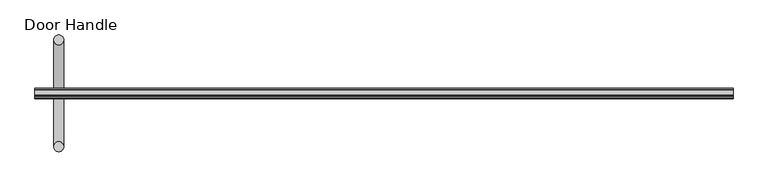
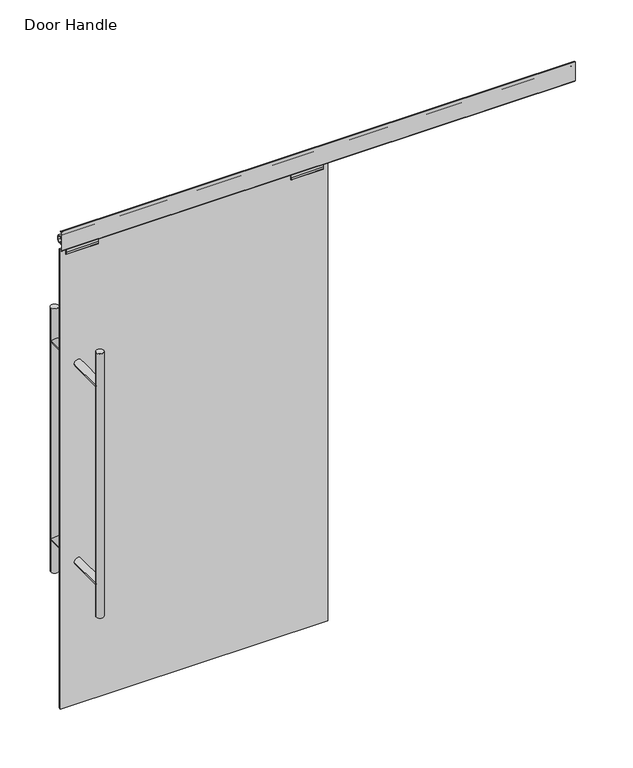
"""IFC4 building model written with IfcOpenShell, lengths in millimetres: furniture geometry, Door Handle."""

from ifc_helpers import new_model, si_unit, point, frame, frame_2d, origin, place, context, project, spatial, polyline, circle_curve, trimmed, segment, composite_curve, outline, extrude, source, transform, mapped, element, save


def door_handle_50dfe338(model_context):
    return source(origin(), model_context, "Body", "SweptSolid", [
        extrude(outline(polyline([(-16.5141672, 2212.851175), (-16.5141672, 2205.3189439), (-10.1641672, 2205.3189439), (-6.1763672, 2209.3067439), (-5.6195913, 2208.749968), (-9.8380154, 2204.5315439), (-16.5141672, 2204.5315439), (-16.5141672, 2125.6729446), (-13.0142711, 2120.674575), (-11.1901919, 2120.674575), (-11.1901919, 2119.887175), (-13.3931579, 2119.887175), (-17.3015672, 2125.4689619), (-17.3015672, 2212.851175), (-16.5141672, 2212.851175)])), frame((0.0, 0.0, 0.0), z_axis=(1.0, 0.0, 0.0), x_axis=(0.0, 1.0, 0.0)), (0.0, 0.0, 1.0), 2241.3722),
        extrude(outline(composite_curve([segment(polyline([(10.16, 2182.879175), (10.16, 2177.9076009)]), True, "CONTINUOUS"), segment(trimmed(circle_curve(frame_2d((12.8870929, 2177.9076009)), 2.7270929), [point((10.16, 2177.9076009))], [point((12.8870929, 2175.180508))], True, "CARTESIAN"), True, "CONTINUOUS"), segment(polyline([(12.8870929, 2175.180508), (16.51, 2175.180508), (16.51, 2158.0447505), (8.3244245, 2149.859175), (4.7752, 2149.859175), (4.7752, 2150.646575), (7.9982727, 2150.646575), (15.7226, 2158.3709023), (15.7226, 2174.393108), (12.8870929, 2174.393108)]), True, "CONTINUOUS"), segment(trimmed(circle_curve(frame_2d((12.8870929, 2177.9076009)), 3.5144929), [point((12.8870929, 2174.393108))], [point((9.3726, 2177.9076009))], False, "CARTESIAN"), True, "CONTINUOUS"), segment(polyline([(9.3726, 2177.9076009), (9.3726, 2182.091775), (-9.3726, 2182.091775), (-9.3726, 2177.9076009)]), True, "CONTINUOUS"), segment(trimmed(circle_curve(frame_2d((-12.8870929, 2177.9076009)), 3.5144929), [point((-9.3726, 2177.9076009))], [point((-12.8870929, 2174.393108))], False, "CARTESIAN"), True, "CONTINUOUS"), segment(polyline([(-12.8870929, 2174.393108), (-15.7226, 2174.393108), (-15.7226, 2158.3709023), (-7.9982728, 2150.646575), (-4.7752, 2150.646575), (-4.7752, 2149.859175), (-8.3244245, 2149.859175), (-16.51, 2158.0447505), (-16.51, 2175.180508), (-12.8870929, 2175.180508)]), True, "CONTINUOUS"), segment(trimmed(circle_curve(frame_2d((-12.8870929, 2177.9076009)), 2.7270929), [point((-12.8870929, 2175.180508))], [point((-10.16, 2177.9076009))], True, "CARTESIAN"), True, "CONTINUOUS"), segment(polyline([(-10.16, 2177.9076009), (-10.16, 2182.879175), (10.16, 2182.879175)]), True, "CONTINUOUS")], self_intersect=False)), frame((0.0, 0.0, 0.0), z_axis=(1.0, 0.0, 0.0), x_axis=(0.0, 1.0, 0.0)), (0.0, 0.0, 1.0), 2241.3722),
        extrude(outline(composite_curve([segment(trimmed(circle_curve(frame_2d((76.2, 171.45)), 16.002), [point((60.198, 171.45))], [point((92.202, 171.45))], False, "CARTESIAN"), True, "CONTINUOUS"), segment(trimmed(circle_curve(frame_2d((76.2, 171.45)), 16.002), [point((92.202, 171.45))], [point((60.198, 171.45))], False, "CARTESIAN"), True, "CONTINUOUS")], self_intersect=False)), frame((0.0, 0.0, 508.0), z_axis=(0.0, 0.0, 1.0), x_axis=(1.0, 0.0, 0.0)), (0.0, 0.0, 1.0), 1219.2),
        extrude(outline(composite_curve([segment(trimmed(circle_curve(frame_2d((660.4, 76.2)), 16.002), [point((660.4, 60.198))], [point((660.4, 92.202))], False, "CARTESIAN"), True, "CONTINUOUS"), segment(trimmed(circle_curve(frame_2d((660.4, 76.2)), 16.002), [point((660.4, 92.202))], [point((660.4, 60.198))], False, "CARTESIAN"), True, "CONTINUOUS")], self_intersect=False)), frame((0.0, 6.35, 0.0), z_axis=(0.0, 1.0, 0.0), x_axis=(0.0, 0.0, 1.0)), (0.0, 0.0, 1.0), 165.1),
        extrude(outline(composite_curve([segment(trimmed(circle_curve(frame_2d((1574.8, 76.2)), 16.002), [point((1574.8, 60.198))], [point((1574.8, 92.202))], False, "CARTESIAN"), True, "CONTINUOUS"), segment(trimmed(circle_curve(frame_2d((1574.8, 76.2)), 16.002), [point((1574.8, 92.202))], [point((1574.8, 60.198))], False, "CARTESIAN"), True, "CONTINUOUS")], self_intersect=False)), frame((0.0, 6.35, 0.0), z_axis=(0.0, 1.0, 0.0), x_axis=(0.0, 0.0, 1.0)), (0.0, 0.0, 1.0), 165.1),
        extrude(outline(composite_curve([segment(trimmed(circle_curve(frame_2d((660.4, 76.2)), 16.002), [point((660.4, 60.198))], [point((660.4, 92.202))], False, "CARTESIAN"), True, "CONTINUOUS"), segment(trimmed(circle_curve(frame_2d((660.4, 76.2)), 16.002), [point((660.4, 92.202))], [point((660.4, 60.198))], False, "CARTESIAN"), True, "CONTINUOUS")], self_intersect=False)), frame((0.0, -171.45, 0.0), z_axis=(0.0, 1.0, 0.0), x_axis=(0.0, 0.0, 1.0)), (0.0, 0.0, 1.0), 165.1),
        extrude(outline(composite_curve([segment(trimmed(circle_curve(frame_2d((1574.8, 76.2)), 16.002), [point((1574.8, 60.198))], [point((1574.8, 92.202))], False, "CARTESIAN"), True, "CONTINUOUS"), segment(trimmed(circle_curve(frame_2d((1574.8, 76.2)), 16.002), [point((1574.8, 92.202))], [point((1574.8, 60.198))], False, "CARTESIAN"), True, "CONTINUOUS")], self_intersect=False)), frame((0.0, -171.45, 0.0), z_axis=(0.0, 1.0, 0.0), x_axis=(0.0, 0.0, 1.0)), (0.0, 0.0, 1.0), 165.1),
        extrude(outline(composite_curve([segment(trimmed(circle_curve(frame_2d((76.2, -171.45)), 16.002), [point((60.198, -171.45))], [point((92.202, -171.45))], False, "CARTESIAN"), True, "CONTINUOUS"), segment(trimmed(circle_curve(frame_2d((76.2, -171.45)), 16.002), [point((92.202, -171.45))], [point((60.198, -171.45))], False, "CARTESIAN"), True, "CONTINUOUS")], self_intersect=False)), frame((0.0, 0.0, 508.0), z_axis=(0.0, 0.0, 1.0), x_axis=(1.0, 0.0, 0.0)), (0.0, 0.0, 1.0), 1219.2),
        extrude(outline(polyline([(-4.7752, 2095.6749893), (-7.2389598, 2095.6749893), (-8.5628933, 2096.1759762), (-9.223627, 2097.4277893), (-10.4999844, 2107.6749836), (-10.4999844, 2131.8752506), (-9.4999818, 2133.5489857), (-9.4999818, 2141.6750885), (-8.9141937, 2143.0892464), (-7.4999813, 2143.6749664), (7.5000184, 2143.6749664), (8.9142307, 2143.0892464), (9.5000167, 2141.6750885), (9.5000167, 2133.5489857), (10.5000169, 2131.8752506), (10.5000169, 2107.6749836), (9.2236618, 2097.4277893), (8.5629304, 2096.1759762), (7.2389969, 2095.6749893), (4.7752, 2095.6749893), (4.7752, 2120.674575), (-4.7752, 2120.674575), (-4.7752, 2095.6749893)])), frame((1004.9679634, 0.0, 0.0), z_axis=(1.0, 0.0, 0.0), x_axis=(0.0, 1.0, 0.0)), (0.0, 0.0, 1.0), 140.0000124),
        extrude(outline(polyline([(-4.7752, 2095.6749893), (-7.2389598, 2095.6749893), (-8.5628933, 2096.1759762), (-9.223627, 2097.4277893), (-10.4999844, 2107.6749836), (-10.4999844, 2131.8752506), (-9.4999818, 2133.5489857), (-9.4999818, 2141.6750885), (-8.9141937, 2143.0892464), (-7.4999813, 2143.6749664), (7.5000184, 2143.6749664), (8.9142307, 2143.0892464), (9.5000167, 2141.6750885), (9.5000167, 2133.5489857), (10.5000169, 2131.8752506), (10.5000169, 2107.6749836), (9.2236618, 2097.4277893), (8.5629304, 2096.1759762), (7.2389969, 2095.6749893), (4.7752, 2095.6749893), (4.7752, 2120.674575), (-4.7752, 2120.674575), (-4.7752, 2095.6749893)])), frame((22.3398451, 0.0, 0.0), z_axis=(1.0, 0.0, 0.0), x_axis=(0.0, 1.0, 0.0)), (0.0, 0.0, 1.0), 139.9999915),
        extrude(outline(polyline([(1167.3078, 4.7752), (1167.3078, -4.7752), (0.0, -4.7752), (0.0, 4.7752), (1167.3078, 4.7752)])), frame((0.0, 0.0, 2.9972), z_axis=(0.0, 0.0, 1.0), x_axis=(1.0, 0.0, 0.0)), (0.0, 0.0, 1.0), 2118.868),
    ])


if __name__ == "__main__":
    model = new_model("IFC4")
    model_context = context("Model", 3, world=origin())
    ifc_project = project(units=[si_unit("LENGTHUNIT", "METRE", prefix="MILLI")], contexts=[model_context])
    site = spatial("IfcSite", under=ifc_project)
    building = spatial("IfcBuilding", under=site)
    placement = place(None, origin())
    door_handle_shape = door_handle_50dfe338(model_context)
    element("IfcFurniture", 1, ObjectType="Door Handle", at=placement, inside=building, context=model_context, shape_type="MappedRepresentation", body=[
        mapped(door_handle_shape, transform((0.0, 0.0, 0.0), x_axis=(1.0, 0.0, 0.0), y_axis=(0.0, 1.0, 0.0), z_axis=(0.0, 0.0, 1.0))),
    ])
    save(model, "model.ifc")
